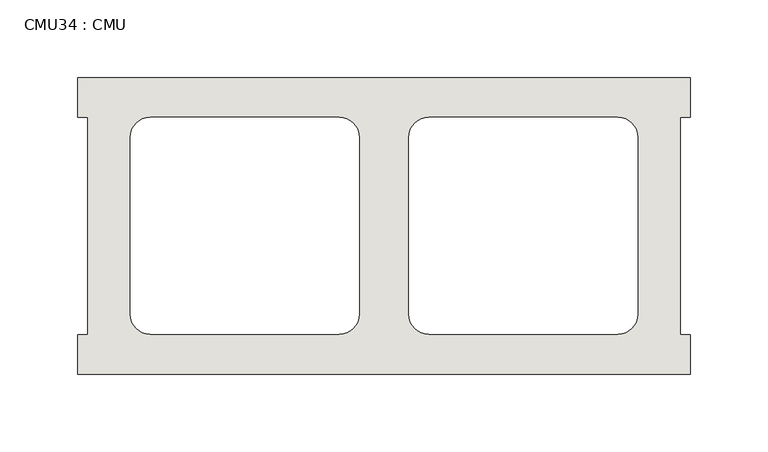
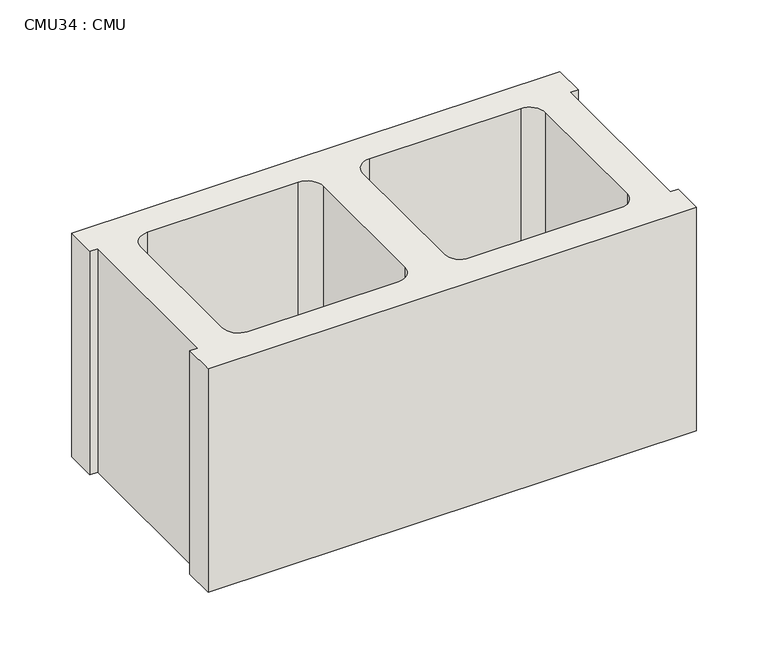
"""IFC4 building model written with IfcOpenShell, lengths in millimetres: wall geometry, CMU34 : CMU."""

from ifc_helpers import new_model, si_unit, point, frame, frame_2d, origin, place, context, project, spatial, polyline, circle_curve, trimmed, segment, composite_curve, outline, extrude, source, transform, mapped, element, save


def cmu34_cmu_591f6c06(model_context):
    return source(origin(), model_context, "Body", "SweptSolid", [
        extrude(outline(polyline([(-241.5939032, 2871.3003704), (152.1060968, 2871.3003704), (152.1060968, 2845.9003704), (145.7560968, 2845.9003704), (145.7560968, 2706.2003704), (152.1060968, 2706.2003704), (152.1060968, 2680.8003704), (-241.5939032, 2680.8003704), (-241.5939032, 2706.2003704), (-235.2439032, 2706.2003704), (-235.2439032, 2845.9003704), (-241.5939032, 2845.9003704), (-241.5939032, 2871.3003704)]), holes=[composite_curve([segment(polyline([(-73.4259045, 2845.9003704), (-195.1425546, 2845.9003704)]), True, "CONTINUOUS"), segment(trimmed(circle_curve(frame_2d((-195.1425546, 2833.2003704)), 12.7), [point((-195.1425546, 2845.9003704))], [point((-207.8425546, 2833.2003704))], True, "CARTESIAN"), True, "CONTINUOUS"), segment(polyline([(-207.8425546, 2833.2003704), (-207.8425546, 2719.1345307)]), True, "CONTINUOUS"), segment(trimmed(circle_curve(frame_2d((-195.1425546, 2719.1345307)), 12.7), [point((-207.8425546, 2719.1345307))], [point((-195.1425546, 2706.4345307))], True, "CARTESIAN"), True, "CONTINUOUS"), segment(polyline([(-195.1425546, 2706.4345307), (-73.4259045, 2706.4345307)]), True, "CONTINUOUS"), segment(trimmed(circle_curve(frame_2d((-73.4259045, 2719.1345307)), 12.7), [point((-73.4259045, 2706.4345307))], [point((-60.7259045, 2719.1345307))], True, "CARTESIAN"), True, "CONTINUOUS"), segment(polyline([(-60.7259045, 2719.1345307), (-60.7259045, 2833.2003704)]), True, "CONTINUOUS"), segment(trimmed(circle_curve(frame_2d((-73.4259045, 2833.2003704)), 12.7), [point((-60.7259045, 2833.2003704))], [point((-73.4259045, 2845.9003704))], True, "CARTESIAN"), True, "CONTINUOUS")], self_intersect=False), composite_curve([segment(trimmed(circle_curve(frame_2d((-16.0619018, 2833.2003704)), 12.7), [point((-16.0619018, 2845.9003704))], [point((-28.7619018, 2833.2003704))], True, "CARTESIAN"), True, "CONTINUOUS"), segment(polyline([(-28.7619018, 2833.2003704), (-28.7619018, 2719.1345307)]), True, "CONTINUOUS"), segment(trimmed(circle_curve(frame_2d((-16.0619018, 2719.1345307)), 12.7), [point((-28.7619018, 2719.1345307))], [point((-16.0619018, 2706.4345307))], True, "CARTESIAN"), True, "CONTINUOUS"), segment(polyline([(-16.0619018, 2706.4345307), (105.6547483, 2706.4345307)]), True, "CONTINUOUS"), segment(trimmed(circle_curve(frame_2d((105.6547483, 2719.1345307)), 12.7), [point((105.6547483, 2706.4345307))], [point((118.3547483, 2719.1345307))], True, "CARTESIAN"), True, "CONTINUOUS"), segment(polyline([(118.3547483, 2719.1345307), (118.3547483, 2833.2003704)]), True, "CONTINUOUS"), segment(trimmed(circle_curve(frame_2d((105.6547483, 2833.2003704)), 12.7), [point((118.3547483, 2833.2003704))], [point((105.6547483, 2845.9003704))], True, "CARTESIAN"), True, "CONTINUOUS"), segment(polyline([(105.6547483, 2845.9003704), (-16.0619018, 2845.9003704)]), True, "CONTINUOUS")], self_intersect=False)]), frame((0.0, 0.0, 406.4), z_axis=(0.0, 0.0, 1.0), x_axis=(1.0, 0.0, 0.0)), (0.0, 0.0, 1.0), 190.5),
    ])


if __name__ == "__main__":
    model = new_model("IFC4")
    model_context = context("Model", 3, world=origin())
    ifc_project = project(units=[si_unit("LENGTHUNIT", "METRE", prefix="MILLI")], contexts=[model_context])
    site = spatial("IfcSite", under=ifc_project)
    building = spatial("IfcBuilding", under=site)
    placement = place(None, origin())
    cmu34_cmu_shape = cmu34_cmu_591f6c06(model_context)
    element("IfcWall", 1, ObjectType="CMU34 : CMU", at=placement, inside=building, context=model_context, shape_type="MappedRepresentation", body=[
        mapped(cmu34_cmu_shape, transform((0.0, 0.0, 0.0), x_axis=(1.0, 0.0, 0.0), y_axis=(0.0, 1.0, 0.0), z_axis=(0.0, 0.0, 1.0))),
    ])
    save(model, "model.ifc")
